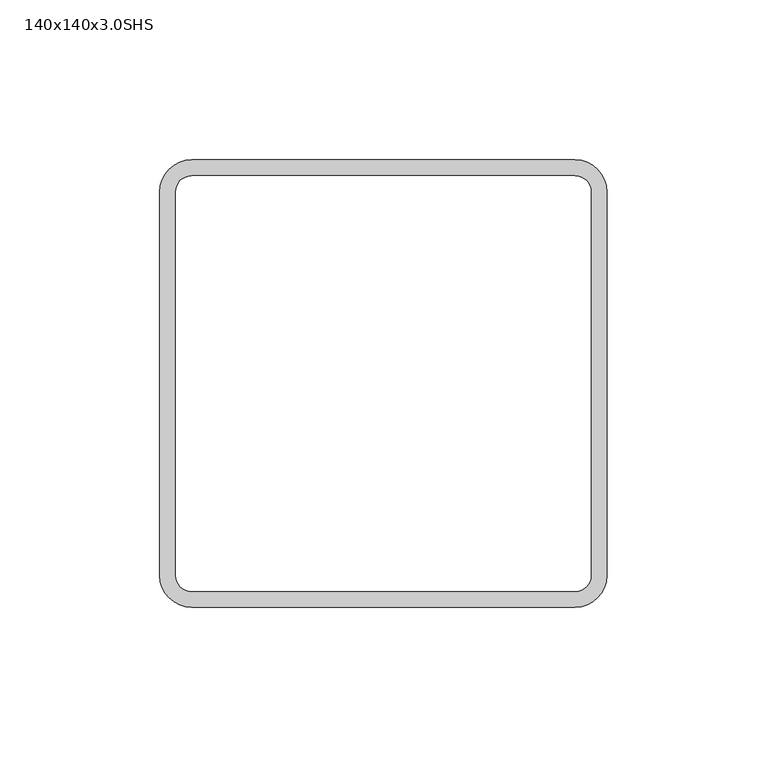
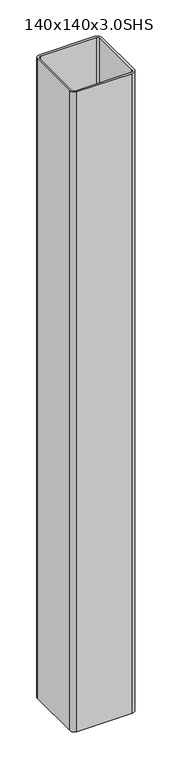
"""IFC4 building model written with IfcOpenShell, lengths in millimetres: column geometry, 140x140x3.0SHS."""

from ifc_helpers import new_model, si_unit, point, frame, frame_2d, origin, place, context, project, spatial, polyline, circle_curve, trimmed, segment, composite_curve, outline, extrude, source, transform, mapped, element, save


def column_140x140x3_0shs_4e0f3982(model_context):
    return source(origin(), model_context, "Body", "SweptSolid", [
        extrude(outline(composite_curve([segment(trimmed(circle_curve(frame_2d((60.0, 60.0)), 10.0), [point((60.0, 70.0))], [point((70.0, 60.0))], False, "CARTESIAN"), True, "CONTINUOUS"), segment(polyline([(70.0, 60.0), (70.0, -60.0)]), True, "CONTINUOUS"), segment(trimmed(circle_curve(frame_2d((60.0, -60.0)), 10.0), [point((70.0, -60.0))], [point((60.0, -70.0))], False, "CARTESIAN"), True, "CONTINUOUS"), segment(polyline([(60.0, -70.0), (-60.0, -70.0)]), True, "CONTINUOUS"), segment(trimmed(circle_curve(frame_2d((-60.0, -60.0)), 10.0), [point((-60.0, -70.0))], [point((-70.0, -60.0))], False, "CARTESIAN"), True, "CONTINUOUS"), segment(polyline([(-70.0, -60.0), (-70.0, 60.0)]), True, "CONTINUOUS"), segment(trimmed(circle_curve(frame_2d((-60.0, 60.0)), 10.0), [point((-70.0, 60.0))], [point((-60.0, 70.0))], False, "CARTESIAN"), True, "CONTINUOUS"), segment(polyline([(-60.0, 70.0), (60.0, 70.0)]), True, "CONTINUOUS")], self_intersect=False), holes=[composite_curve([segment(polyline([(60.0, 65.0), (-60.0, 65.0)]), True, "CONTINUOUS"), segment(trimmed(circle_curve(frame_2d((-60.0, 60.0)), 5.0), [point((-60.0, 65.0))], [point((-65.0, 60.0))], True, "CARTESIAN"), True, "CONTINUOUS"), segment(polyline([(-65.0, 60.0), (-65.0, -60.0)]), True, "CONTINUOUS"), segment(trimmed(circle_curve(frame_2d((-60.0, -60.0)), 5.0), [point((-65.0, -60.0))], [point((-60.0, -65.0))], True, "CARTESIAN"), True, "CONTINUOUS"), segment(polyline([(-60.0, -65.0), (60.0, -65.0)]), True, "CONTINUOUS"), segment(trimmed(circle_curve(frame_2d((60.0, -60.0)), 5.0), [point((60.0, -65.0))], [point((65.0, -60.0))], True, "CARTESIAN"), True, "CONTINUOUS"), segment(polyline([(65.0, -60.0), (65.0, 60.0)]), True, "CONTINUOUS"), segment(trimmed(circle_curve(frame_2d((60.0, 60.0)), 5.0), [point((65.0, 60.0))], [point((60.0, 65.0))], True, "CARTESIAN"), True, "CONTINUOUS")], self_intersect=False)]), frame((0.0, 0.0, 36.0), z_axis=(0.0, 0.0, 1.0), x_axis=(1.0, 0.0, 0.0)), (0.0, 0.0, 1.0), 1464.0),
    ])


if __name__ == "__main__":
    model = new_model("IFC4")
    model_context = context("Model", 3, world=origin())
    ifc_project = project(units=[si_unit("LENGTHUNIT", "METRE", prefix="MILLI")], contexts=[model_context])
    site = spatial("IfcSite", under=ifc_project)
    building = spatial("IfcBuilding", under=site)
    placement = place(None, origin())
    column_140x140x3_0shs_shape = column_140x140x3_0shs_4e0f3982(model_context)
    element("IfcColumn", 1, ObjectType="140x140x3.0SHS", at=placement, inside=building, context=model_context, shape_type="MappedRepresentation", body=[
        mapped(column_140x140x3_0shs_shape, transform((0.0, 0.0, 0.0), x_axis=(1.0, 0.0, 0.0), y_axis=(0.0, 1.0, 0.0), z_axis=(0.0, 0.0, 1.0))),
    ])
    save(model, "model.ifc")
